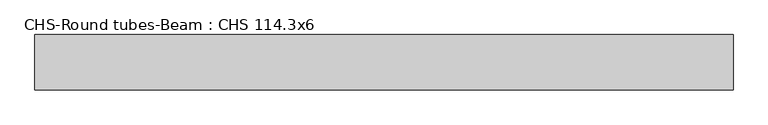
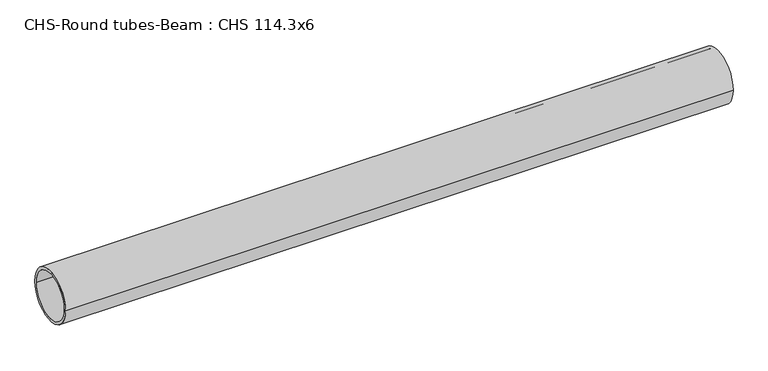
"""IFC4 building model written with IfcOpenShell, lengths in millimetres: beam geometry, CHS-Round tubes-Beam : CHS 114.3x6."""

from ifc_helpers import new_model, si_unit, point, frame, origin, origin_2d, place, context, project, spatial, circle_curve, trimmed, segment, composite_curve, outline, extrude, source, transform, mapped, element, save


def chs_round_tubes_beam_chs_114_3x6_8e268939(model_context):
    return source(origin(), model_context, "Body", "SweptSolid", [
        extrude(outline(composite_curve([segment(trimmed(circle_curve(origin_2d(), 57.15), [point((57.15, 0.0))], [point((-57.15, 0.0))], False, "CARTESIAN"), True, "CONTINUOUS"), segment(trimmed(circle_curve(origin_2d(), 57.15), [point((-57.15, 0.0))], [point((57.15, 0.0))], False, "CARTESIAN"), True, "CONTINUOUS")], self_intersect=False), holes=[composite_curve([segment(trimmed(circle_curve(origin_2d(), 51.15), [point((51.15, 0.0))], [point((-51.15, 0.0))], True, "CARTESIAN"), True, "CONTINUOUS"), segment(trimmed(circle_curve(origin_2d(), 51.15), [point((-51.15, 0.0))], [point((51.15, 0.0))], True, "CARTESIAN"), True, "CONTINUOUS")], self_intersect=False)]), frame((-700.9440384, 0.0, 0.0), z_axis=(1.0, 0.0, 0.0), x_axis=(0.0, 1.0, 0.0)), (0.0, 0.0, 1.0), 1442.2322913),
    ])


if __name__ == "__main__":
    model = new_model("IFC4")
    model_context = context("Model", 3, world=origin())
    ifc_project = project(units=[si_unit("LENGTHUNIT", "METRE", prefix="MILLI")], contexts=[model_context])
    site = spatial("IfcSite", under=ifc_project)
    building = spatial("IfcBuilding", under=site)
    placement = place(None, origin())
    chs_round_tubes_beam_chs_114_3x6_shape = chs_round_tubes_beam_chs_114_3x6_8e268939(model_context)
    element("IfcBeam", 1, ObjectType="CHS-Round tubes-Beam : CHS 114.3x6", at=placement, inside=building, context=model_context, shape_type="MappedRepresentation", body=[
        mapped(chs_round_tubes_beam_chs_114_3x6_shape, transform((0.0, 0.0, 0.0), x_axis=(1.0, 0.0, 0.0), y_axis=(0.0, 1.0, 0.0), z_axis=(0.0, 0.0, 1.0))),
    ])
    save(model, "model.ifc")
